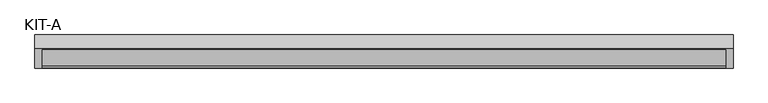
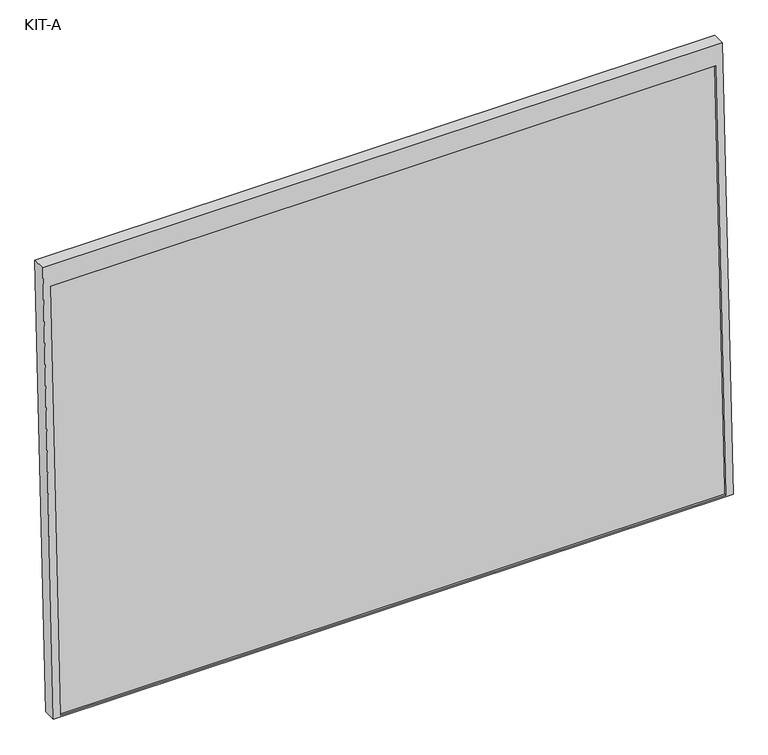
"""IFC4 building model written with IfcOpenShell, lengths in millimetres: plate geometry, KIT-A."""

from ifc_helpers import new_model, si_unit, frame, origin, place, context, project, spatial, polyline, outline, extrude, source, transform, mapped, element, save


def kit_a_84e57e3d(model_context):
    return source(origin(), model_context, "Body", "SweptSolid", [
        extrude(outline(polyline([(0.0, 0.0), (0.0, -1741.0), (-1195.0, -1741.0), (-1195.0, 0.0), (0.0, 0.0)]), holes=[polyline([(-55.0, -18.5), (-1191.0441175, -18.5), (-1191.0441175, -1722.5), (-55.0, -1722.5), (-55.0, -18.5)])]), frame((-870.5, 8.1623983, 1090.0923209), z_axis=(0.0, -0.9992101801000246, 0.039736834102334216), x_axis=(0.0, 0.039736834102334216, 0.9992101801000246)), (0.0, 0.0, 1.0), 35.0),
        extrude(outline(polyline([(0.0, -1704.0), (0.0, 0.0), (27.4505712, 0.0), (27.4505712, -1704.0), (0.0, -1704.0)])), frame((-852.0, -69.1422296, -98.8189813), z_axis=(0.0, 0.03973683410233642, 0.9992101801000245), x_axis=(0.0, 0.9992101801000245, -0.03973683410233642)), (0.0, 0.0, 1.0), 1136.0441176),
    ])


if __name__ == "__main__":
    model = new_model("IFC4")
    model_context = context("Model", 3, world=origin())
    ifc_project = project(units=[si_unit("LENGTHUNIT", "METRE", prefix="MILLI")], contexts=[model_context])
    site = spatial("IfcSite", under=ifc_project)
    building = spatial("IfcBuilding", under=site)
    placement = place(None, origin())
    kit_a_shape = kit_a_84e57e3d(model_context)
    element("IfcPlate", 1, ObjectType="KIT-A", at=placement, inside=building, context=model_context, shape_type="MappedRepresentation", body=[
        mapped(kit_a_shape, transform((0.0, 0.0, 0.0), x_axis=(1.0, 0.0, 0.0), y_axis=(0.0, 1.0, 0.0), z_axis=(0.0, 0.0, 1.0))),
    ])
    save(model, "model.ifc")
